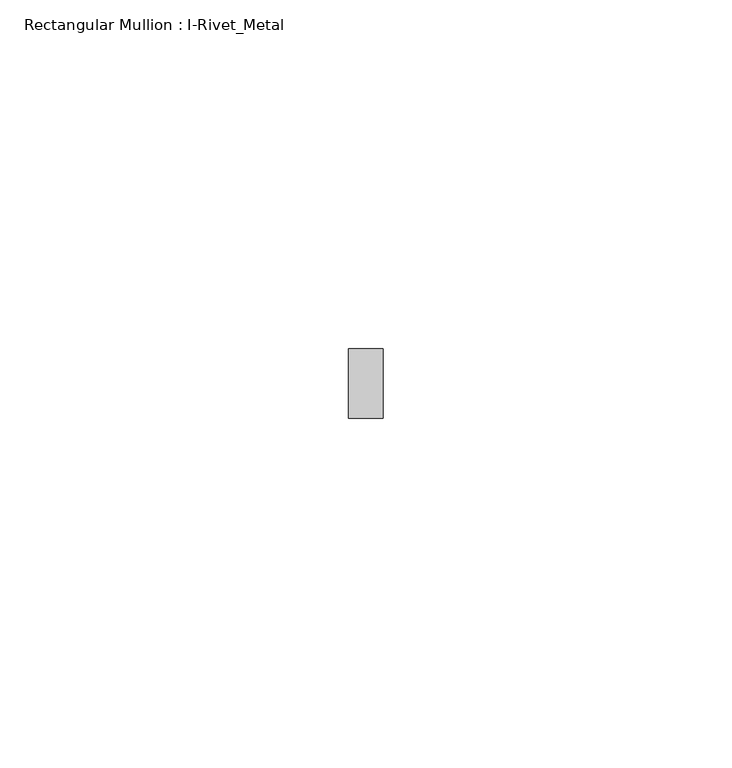
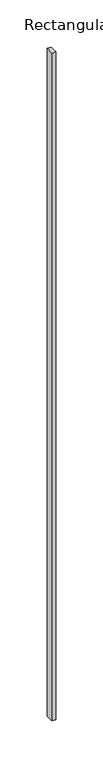
"""IFC4 building model written with IfcOpenShell, lengths in millimetres: member geometry, Rectangular Mullion : I-Rivet_Metal."""

from ifc_helpers import new_model, si_unit, frame, origin, place, context, project, spatial, polyline, outline, extrude, source, transform, mapped, element, save


def rectangular_mullion_i_rivet_metal_7790552d(model_context):
    return source(origin(), model_context, "Body", "SweptSolid", [
        extrude(outline(polyline([(2.5, 70.0), (-2.5, 70.0), (-2.5, 80.0), (2.5, 80.0), (2.5, 70.0)])), frame((0.0, 0.0, -867.0), z_axis=(0.0, 0.0, 1.0), x_axis=(1.0, 0.0, 0.0)), (0.0, 0.0, 1.0), 867.0),
    ])


if __name__ == "__main__":
    model = new_model("IFC4")
    model_context = context("Model", 3, world=origin())
    ifc_project = project(units=[si_unit("LENGTHUNIT", "METRE", prefix="MILLI")], contexts=[model_context])
    site = spatial("IfcSite", under=ifc_project)
    building = spatial("IfcBuilding", under=site)
    placement = place(None, origin())
    rectangular_mullion_i_rivet_metal_shape = rectangular_mullion_i_rivet_metal_7790552d(model_context)
    element("IfcMember", 1, ObjectType="Rectangular Mullion : I-Rivet_Metal", at=placement, inside=building, context=model_context, shape_type="MappedRepresentation", body=[
        mapped(rectangular_mullion_i_rivet_metal_shape, transform((0.0, 0.0, 0.0), x_axis=(1.0, 0.0, 0.0), y_axis=(0.0, 1.0, 0.0), z_axis=(0.0, 0.0, 1.0))),
    ])
    save(model, "model.ifc")
